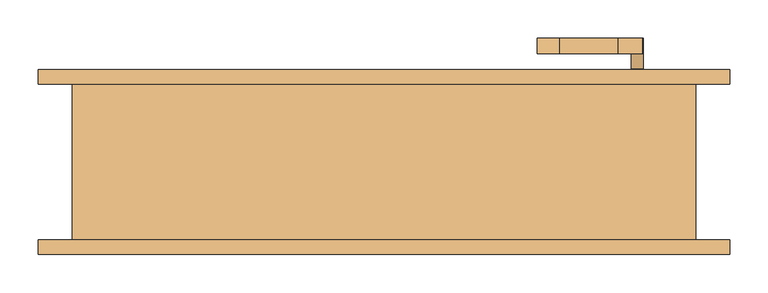
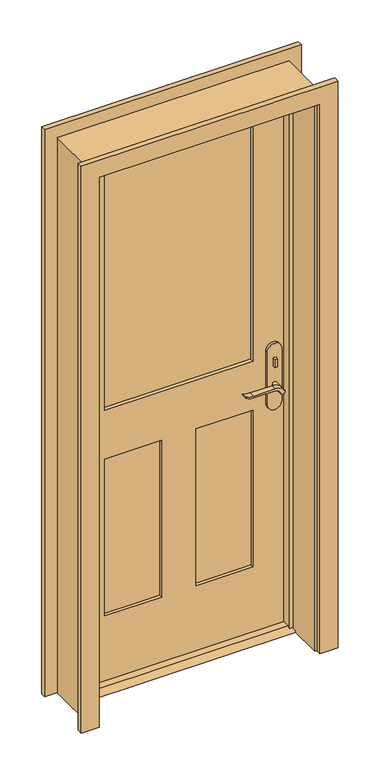
"""IFC4 building model written with IfcOpenShell, lengths in millimetres: door geometry."""

from ifc_helpers import new_model, si_unit, point, frame, frame_2d, origin, place, context, project, spatial, polyline, circle_curve, trimmed, segment, composite_curve, outline, extrude, faceted_brep, source, transform, mapped, element, save


def door_c141af9e(model_context):
    return source(origin(), model_context, "Body", "SolidModel", [
        extrude(outline(polyline([(38.1, 12.7), (73.025, 12.7), (98.425, 0.0), (12.7, 0.0), (38.1, 12.7)])), frame((-381.0, 0.0, 0.0), z_axis=(1.0, 0.0, 0.0), x_axis=(0.0, 1.0, 0.0)), (0.0, 0.0, 1.0), 762.0),
        extrude(outline(polyline([(335.2, 43.5), (325.2, 43.5), (325.2, 53.5), (335.2, 53.5), (335.2, 43.5)])), frame((0.0, 0.0, 981.9), z_axis=(0.0, 0.0, 1.0), x_axis=(1.0, 0.0, 0.0)), (0.0, 0.0, 1.0), 30.0),
        extrude(outline(composite_curve([segment(trimmed(circle_curve(frame_2d((996.9, 330.2)), 8.0), [point((996.9, 322.2))], [point((996.9, 338.2))], False, "CARTESIAN"), True, "CONTINUOUS"), segment(trimmed(circle_curve(frame_2d((996.9, 330.2)), 8.0), [point((996.9, 338.2))], [point((996.9, 322.2))], False, "CARTESIAN"), True, "CONTINUOUS")], self_intersect=False)), frame((0.0, 108.425, 0.0), z_axis=(0.0, 1.0, 0.0), x_axis=(0.0, 0.0, 1.0)), (0.0, 0.0, 1.0), 10.0),
        extrude(outline(composite_curve([segment(trimmed(circle_curve(frame_2d((897.1555521, 306.5324871)), 37.2832219), [point((919.0523287, 336.7081363))], [point((934.4, 304.8325667))], False, "CARTESIAN"), True, "CONTINUOUS"), segment(polyline([(934.4, 304.8325667), (934.4, 228.5564091)]), True, "CONTINUOUS"), segment(trimmed(circle_curve(frame_2d((1017.6850638, 228.6227909)), 83.2850902), [point((934.4, 228.5564091))], [point((939.4, 200.2))], True, "CARTESIAN"), True, "CONTINUOUS"), segment(polyline([(939.4, 200.2), (936.6135558, 200.2)]), True, "CONTINUOUS"), segment(trimmed(circle_curve(frame_2d((986.6709207, 232.1396612)), 59.3791355), [point((936.6135558, 200.2))], [point((927.4, 228.5564091))], False, "CARTESIAN"), True, "CONTINUOUS"), segment(polyline([(927.4, 228.5564091), (927.4, 304.8138099)]), True, "CONTINUOUS"), segment(trimmed(circle_curve(frame_2d((909.2738613, 304.8138099)), 18.1261387), [point((927.4, 304.8138099))], [point((914.4, 322.2))], True, "CARTESIAN"), True, "CONTINUOUS"), segment(trimmed(circle_curve(frame_2d((914.4, 330.2)), 8.0), [point((914.4, 322.2))], [point((919.0523287, 336.7081363))], False, "CARTESIAN"), True, "CONTINUOUS")], self_intersect=False)), frame((0.0, 3.5, 0.0), z_axis=(0.0, 1.0, 0.0), x_axis=(0.0, 0.0, 1.0)), (0.0, 0.0, 1.0), 20.0),
        extrude(outline(composite_curve([segment(trimmed(circle_curve(frame_2d((914.4, 330.2)), 8.0), [point((914.3999903, 322.2))], [point((919.0523287, 336.7081363))], False, "CARTESIAN"), True, "CONTINUOUS"), segment(trimmed(circle_curve(frame_2d((897.1555521, 306.5324871)), 37.2832219), [point((919.0523287, 336.7081363))], [point((934.4, 304.8325667))], False, "CARTESIAN"), True, "CONTINUOUS"), segment(polyline([(934.4, 304.8325667), (934.4, 228.5564091)]), True, "CONTINUOUS"), segment(trimmed(circle_curve(frame_2d((1017.6850638, 228.6227909)), 83.2850902), [point((934.4, 228.5564091))], [point((939.4, 200.2))], True, "CARTESIAN"), True, "CONTINUOUS"), segment(polyline([(939.4, 200.2), (936.6135558, 200.2)]), True, "CONTINUOUS"), segment(trimmed(circle_curve(frame_2d((986.6709207, 232.1396612)), 59.3791355), [point((936.6135558, 200.2))], [point((927.4, 228.5564091))], False, "CARTESIAN"), True, "CONTINUOUS"), segment(polyline([(927.4, 228.5564091), (927.4, 304.8138122)]), True, "CONTINUOUS"), segment(trimmed(circle_curve(frame_2d((909.2738682, 304.8138122)), 18.1261318), [point((927.4, 304.8138122))], [point((914.3999903, 322.2))], True, "CARTESIAN"), True, "CONTINUOUS")], self_intersect=False)), frame((0.0, 138.425, 0.0), z_axis=(0.0, 1.0, 0.0), x_axis=(0.0, 0.0, 1.0)), (0.0, 0.0, 1.0), 20.0),
        extrude(outline(composite_curve([segment(trimmed(circle_curve(frame_2d((914.4, 330.2)), 8.0), [point((914.4, 322.2))], [point((914.4, 338.2))], False, "CARTESIAN"), True, "CONTINUOUS"), segment(trimmed(circle_curve(frame_2d((914.4, 330.2)), 8.0), [point((914.4, 338.2))], [point((914.4, 322.2))], False, "CARTESIAN"), True, "CONTINUOUS")], self_intersect=False)), frame((0.0, 23.5, 0.0), z_axis=(0.0, 1.0, 0.0), x_axis=(0.0, 0.0, 1.0)), (0.0, 0.0, 1.0), 30.0),
        extrude(outline(composite_curve([segment(trimmed(circle_curve(frame_2d((914.4, 330.2)), 8.0), [point((914.4, 322.2))], [point((914.4, 338.2))], False, "CARTESIAN"), True, "CONTINUOUS"), segment(trimmed(circle_curve(frame_2d((914.4, 330.2)), 8.0), [point((914.4, 338.2))], [point((914.4, 322.2))], False, "CARTESIAN"), True, "CONTINUOUS")], self_intersect=False)), frame((0.0, 108.425, 0.0), z_axis=(0.0, 1.0, 0.0), x_axis=(0.0, 0.0, 1.0)), (0.0, 0.0, 1.0), 30.0),
        extrude(outline(composite_curve([segment(polyline([(844.4, 355.2), (1039.4, 355.2)]), True, "CONTINUOUS"), segment(trimmed(circle_curve(frame_2d((1039.4, 330.2)), 25.0), [point((1039.4, 355.2))], [point((1039.4, 305.2))], False, "CARTESIAN"), True, "CONTINUOUS"), segment(polyline([(1039.4, 305.2), (844.4, 305.2)]), True, "CONTINUOUS"), segment(trimmed(circle_curve(frame_2d((844.4, 330.2)), 25.0), [point((844.4, 305.2))], [point((844.4, 355.2))], False, "CARTESIAN"), True, "CONTINUOUS")], self_intersect=False)), frame((0.0, 53.5, 0.0), z_axis=(0.0, 1.0, 0.0), x_axis=(0.0, 0.0, 1.0)), (0.0, 0.0, 1.0), 10.0),
        extrude(outline(composite_curve([segment(polyline([(844.4, 355.2), (1039.4, 355.2)]), True, "CONTINUOUS"), segment(trimmed(circle_curve(frame_2d((1039.4, 330.2)), 25.0), [point((1039.4, 355.2))], [point((1039.4, 305.2))], False, "CARTESIAN"), True, "CONTINUOUS"), segment(polyline([(1039.4, 305.2), (844.4, 305.2)]), True, "CONTINUOUS"), segment(trimmed(circle_curve(frame_2d((844.4, 330.2)), 25.0), [point((844.4, 305.2))], [point((844.4, 355.2))], False, "CARTESIAN"), True, "CONTINUOUS")], self_intersect=False)), frame((0.0, 98.425, 0.0), z_axis=(0.0, 1.0, 0.0), x_axis=(0.0, 0.0, 1.0)), (0.0, 0.0, 1.0), 10.0),
        faceted_brep([(406.4, 98.425, 0.0), (406.4, -104.775, 0.0), (381.0, -104.775, 0.0), (381.0, 28.575, 0.0), (368.3, 28.575, 0.0), (368.3, 63.5, 0.0), (381.0, 63.5, 0.0), (381.0, 98.425, 0.0), (406.4, 98.425, 2057.4), (406.4, -104.775, 2057.4), (-406.4, -104.775, 2057.4), (-406.4, -104.775, 0.0), (-381.0, -104.775, 0.0), (-381.0, -104.775, 2032.0), (381.0, -104.775, 2032.0), (381.0, 28.575, 2032.0), (-381.0, 28.575, 2032.0), (-381.0, 28.575, 0.0), (-368.3, 28.575, 0.0), (-368.3, 28.575, 2019.3), (368.3, 28.575, 2019.3), (368.3, 63.5, 2019.3), (-368.3, 63.5, 2019.3), (-368.3, 63.5, 0.0), (-381.0, 63.5, 0.0), (-381.0, 63.5, 2032.0), (381.0, 63.5, 2032.0), (381.0, 98.425, 2032.0), (-381.0, 98.425, 2032.0), (-381.0, 98.425, 0.0), (-406.4, 98.425, 0.0), (-406.4, 98.425, 2057.4)], [[[0, 1, 2, 3, 4, 5, 6, 7]], [[1, 0, 8, 9]], [[2, 1, 9, 10, 11, 12, 13, 14]], [[3, 2, 14, 15]], [[4, 3, 15, 16, 17, 18, 19, 20]], [[5, 4, 20, 21]], [[6, 5, 21, 22, 23, 24, 25, 26]], [[7, 6, 26, 27]], [[0, 7, 27, 28, 29, 30, 31, 8]], [[9, 8, 31, 10]], [[15, 14, 13, 16]], [[21, 20, 19, 22]], [[27, 26, 25, 28]], [[30, 29, 24, 23, 18, 17, 12, 11]], [[10, 31, 30, 11]], [[16, 13, 12, 17]], [[22, 19, 18, 23]], [[28, 25, 24, 29]]]),
        extrude(outline(polyline([(2032.0, -381.0), (12.7, -381.0), (12.7, 381.0), (2032.0, 381.0), (2032.0, -381.0)]), holes=[polyline([(1016.0, -260.35), (1911.35, -260.35), (1911.35, 260.35), (1016.0, 260.35), (1016.0, -260.35)]), polyline([(835.025, -60.325), (254.0, -60.325), (254.0, -260.35), (835.025, -260.35), (835.025, -60.325)]), polyline([(835.025, 260.35), (254.0, 260.35), (254.0, 60.325), (835.025, 60.325), (835.025, 260.35)])]), frame((0.0, 63.5, 0.0), z_axis=(0.0, 1.0, 0.0), x_axis=(0.0, 0.0, 1.0)), (0.0, 0.0, 1.0), 34.925),
        extrude(outline(polyline([(260.35, 77.47), (-260.35, 77.47), (-260.35, 84.455), (260.35, 84.455), (260.35, 77.47)])), frame((0.0, 0.0, 1016.0), z_axis=(0.0, 0.0, 1.0), x_axis=(1.0, 0.0, 0.0)), (0.0, 0.0, 1.0), 895.35),
        extrude(outline(polyline([(-60.325, 75.1416667), (-260.35, 75.1416667), (-260.35, 86.7833333), (-60.325, 86.7833333), (-60.325, 75.1416667)])), frame((0.0, 0.0, 254.0), z_axis=(0.0, 0.0, 1.0), x_axis=(1.0, 0.0, 0.0)), (0.0, 0.0, 1.0), 581.025),
        extrude(outline(polyline([(260.35, 75.1416667), (60.325, 75.1416667), (60.325, 86.7833333), (260.35, 86.7833333), (260.35, 75.1416667)])), frame((0.0, 0.0, 254.0), z_axis=(0.0, 0.0, 1.0), x_axis=(1.0, 0.0, 0.0)), (0.0, 0.0, 1.0), 581.025),
        extrude(outline(polyline([(0.0, -450.85), (0.0, -387.35), (2038.35, -387.35), (2038.35, 387.35), (0.0, 387.35), (0.0, 450.85), (2101.85, 450.85), (2101.85, -450.85), (0.0, -450.85)])), frame((0.0, 98.425, 0.0), z_axis=(0.0, 1.0, 0.0), x_axis=(0.0, 0.0, 1.0)), (0.0, 0.0, 1.0), 19.05),
        extrude(outline(polyline([(0.0, -450.85), (0.0, -387.35), (2038.35, -387.35), (2038.35, 387.35), (0.0, 387.35), (0.0, 450.85), (2101.85, 450.85), (2101.85, -450.85), (0.0, -450.85)])), frame((0.0, -123.825, 0.0), z_axis=(0.0, 1.0, 0.0), x_axis=(0.0, 0.0, 1.0)), (0.0, 0.0, 1.0), 19.05),
    ])


if __name__ == "__main__":
    model = new_model("IFC4")
    model_context = context("Model", 3, world=origin())
    ifc_project = project(units=[si_unit("LENGTHUNIT", "METRE", prefix="MILLI")], contexts=[model_context])
    site = spatial("IfcSite", under=ifc_project)
    building = spatial("IfcBuilding", under=site)
    placement = place(None, origin())
    door_shape = door_c141af9e(model_context)
    element("IfcDoor", 1, at=placement, inside=building, context=model_context, shape_type="MappedRepresentation", body=[
        mapped(door_shape, transform((0.0, 0.0, 0.0), x_axis=(1.0, 0.0, 0.0), y_axis=(0.0, 1.0, 0.0), z_axis=(0.0, 0.0, 1.0))),
    ])
    save(model, "model.ifc")
